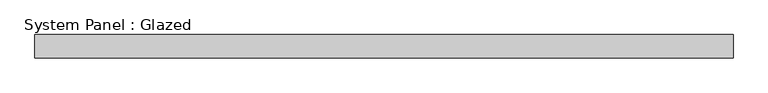
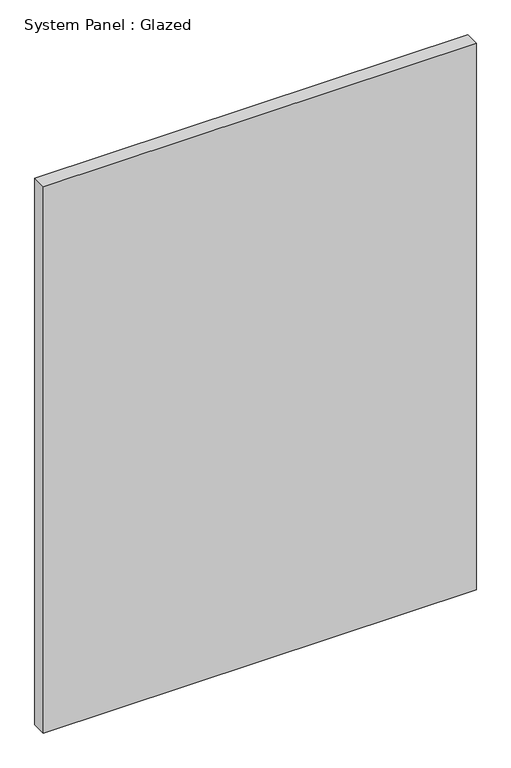
"""IFC4 building model written with IfcOpenShell, lengths in millimetres: plate geometry, System Panel : Glazed."""

import ifcopenshell
import ifcopenshell.guid

model = None  # the IFC model being written
_history = None  # IfcOwnerHistory: only IFC2X3 demands one
_inside = {}  # id of a spatial element -> (the spatial element, [elements in it])
_under = {}  # id of a project, library or spatial element -> (it, [spatial elements below it])
_declared = {}  # id of a project -> (the project, [libraries it declares])
_typed = {}  # id of a type object -> (the type object, [elements of that type])
_made_of = {}  # id of a material, layer set ... -> (it, [elements and type objects made of it])


def new_model(schema):
    """Start an empty IFC model of exactly this schema.

    Asked for "IFC4X3", IfcOpenShell would pick the latest addendum, in which some entities
    have other attributes; the version numbers below select the first issue.
    IFC2X3 requires an IfcOwnerHistory on every rooted entity: one is made here for all.
    """
    global model, _history
    if schema == "IFC4X3":
        model = ifcopenshell.file(schema_version=(4, 3, 0, 0))
    else:
        model = ifcopenshell.file(schema=schema)
    _inside.clear()
    _under.clear()
    _declared.clear()
    _typed.clear()
    _made_of.clear()
    _history = None
    if model.schema == "IFC2X3":
        org = make("IfcOrganization", Name="unknown")
        user = make(
            "IfcPersonAndOrganization",
            ThePerson=make("IfcPerson", FamilyName="unknown"),
            TheOrganization=org,
        )
        app = make(
            "IfcApplication",
            ApplicationDeveloper=org,
            Version="unknown",
            ApplicationFullName="unknown",
            ApplicationIdentifier="unknown",
        )
        _history = make(
            "IfcOwnerHistory",
            OwningUser=user,
            OwningApplication=app,
            ChangeAction="ADDED",
            CreationDate=0,
        )
    return model


def make(cls, **values):
    """One entity of the class cls with the attributes given. An attribute that is None is left unset."""
    return model.create_entity(
        cls, **{name: value for name, value in values.items() if value is not None}
    )


def rooted(cls, **values):
    """An entity with a GlobalId (a new one), such as an element, a storey or a relation."""
    return make(cls, GlobalId=ifcopenshell.guid.new(), OwnerHistory=_history, **values)


def si_unit(unit_type, name, prefix=None):
    """IfcSIUnit, for example si_unit("LENGTHUNIT", "METRE", prefix="MILLI")."""
    return make("IfcSIUnit", UnitType=unit_type, Prefix=prefix, Name=name)


def assignment(units):
    """IfcUnitAssignment: the units of a project."""
    return None if units is None else make("IfcUnitAssignment", Units=units)


def point(xyz):
    """IfcCartesianPoint."""
    return None if xyz is None else make("IfcCartesianPoint", Coordinates=xyz)


def direction(xyz):
    """IfcDirection."""
    return None if xyz is None else make("IfcDirection", DirectionRatios=xyz)


def frame(location, z_axis=None, x_axis=None):
    """IfcAxis2Placement3D, a coordinate frame: its origin and axes. An axis left out is left unset."""
    return make(
        "IfcAxis2Placement3D",
        Location=point(location),
        Axis=direction(z_axis),
        RefDirection=direction(x_axis),
    )


def origin():
    """The frame at (0, 0, 0) with its axes left unset."""
    return frame((0.0, 0.0, 0.0))


def origin_with_axes():
    """The frame at (0, 0, 0) with the z axis (0, 0, 1) and the x axis (1, 0, 0) written out."""
    return frame((0.0, 0.0, 0.0), z_axis=(0.0, 0.0, 1.0), x_axis=(1.0, 0.0, 0.0))


def place(relative_to, where):
    """IfcLocalPlacement: puts the frame where relative to a parent placement (None: the world)."""
    return make(
        "IfcLocalPlacement", PlacementRelTo=relative_to, RelativePlacement=where
    )


def context(
    kind, dimensions, precision=None, world=None, true_north=None, identifier=None
):
    """IfcGeometricRepresentationContext, for example the 3D "Model" context."""
    return make(
        "IfcGeometricRepresentationContext",
        ContextIdentifier=identifier,
        ContextType=kind,
        CoordinateSpaceDimension=dimensions,
        Precision=precision,
        WorldCoordinateSystem=world,
        TrueNorth=true_north,
    )


def project(units=None, contexts=None):
    """IfcProject with its units and contexts."""
    return rooted(
        "IfcProject",
        Name="project",
        RepresentationContexts=contexts,
        UnitsInContext=assignment(units),
    )


def spatial(cls, under=None, at=None, **own):
    """A site, building, storey or space (cls), placed at a placement, below another one or the project."""
    s = rooted(cls, ObjectPlacement=at, **own)
    if under is not None:
        _under.setdefault(under.id(), (under, []))[1].append(s)
    return s


def polyline(points):
    """IfcPolyline through the points."""
    return make("IfcPolyline", Points=[point(p) for p in points])


def outline(outer, holes=None, kind="AREA"):
    """IfcArbitraryClosedProfileDef: a profile drawn as a closed curve; with holes, ...WithVoids."""
    if holes is None:
        return make("IfcArbitraryClosedProfileDef", ProfileType=kind, OuterCurve=outer)
    return make(
        "IfcArbitraryProfileDefWithVoids",
        ProfileType=kind,
        OuterCurve=outer,
        InnerCurves=holes,
    )


def extrude(swept, where, along, depth):
    """IfcExtrudedAreaSolid: the profile swept, set in the frame where, extruded along a direction by depth."""
    return make(
        "IfcExtrudedAreaSolid",
        SweptArea=swept,
        Position=where,
        ExtrudedDirection=direction(along),
        Depth=depth,
    )


def shape(context_of_items, identifier, shape_type, items):
    """IfcShapeRepresentation: the items that make up one representation, for example the "Body"."""
    return make(
        "IfcShapeRepresentation",
        ContextOfItems=context_of_items,
        RepresentationIdentifier=identifier,
        RepresentationType=shape_type,
        Items=items,
    )


def source(mapping_origin, context_of_items, identifier, shape_type, items):
    """IfcRepresentationMap: a shape defined once, which mapped items show again and again."""
    return make(
        "IfcRepresentationMap",
        MappingOrigin=mapping_origin,
        MappedRepresentation=shape(context_of_items, identifier, shape_type, items),
    )


def transform(
    local_origin,
    x_axis=None,
    y_axis=None,
    z_axis=None,
    scale=None,
    scale2=None,
    scale3=None,
    uniform=True,
):
    """IfcCartesianTransformationOperator3D, or its non-uniform kind. x_axis, y_axis, z_axis: its Axis1, 2, 3."""
    if uniform:
        return make(
            "IfcCartesianTransformationOperator3D",
            Axis1=direction(x_axis),
            Axis2=direction(y_axis),
            LocalOrigin=point(local_origin),
            Scale=scale,
            Axis3=direction(z_axis),
        )
    return make(
        "IfcCartesianTransformationOperator3DnonUniform",
        Axis1=direction(x_axis),
        Axis2=direction(y_axis),
        LocalOrigin=point(local_origin),
        Scale=scale,
        Axis3=direction(z_axis),
        Scale2=scale2,
        Scale3=scale3,
    )


def mapped(mapping_source, mapping_target):
    """IfcMappedItem: shows the shape of a source again, moved by a transform."""
    return make(
        "IfcMappedItem", MappingSource=mapping_source, MappingTarget=mapping_target
    )


def made_of(thing, what):
    """Note that an element or type object is made of a material, layer set ...; save() writes the relation."""
    if what is not None:
        _made_of.setdefault(what.id(), (what, []))[1].append(thing)
    return thing


def element(
    cls,
    number,
    at=None,
    inside=None,
    cuts=None,
    type_object=None,
    material=None,
    context=None,
    identifier="Body",
    shape_type=None,
    held_by="IfcProductDefinitionShape",
    body=None,
    shapes=None,
    **own,
):
    """One element of the class cls, such as IfcWall. Its Tag is "e" and its number.

    at: its placement. inside: the storey or other place that contains it. cuts: it is an
    opening in that element (IfcRelVoidsElement). A single representation is given by context,
    identifier, shape_type and body (its items); several are given by shapes. held_by: the class
    of the entity that holds the representations. save() writes the other relations.
    """
    e = rooted(cls, Tag="e%d" % number, ObjectPlacement=at, **own)
    if body is not None:
        shapes = [shape(context, identifier, shape_type, body)]
    if shapes is not None:
        e.Representation = make(held_by, Representations=shapes)
    if inside is not None:
        _inside.setdefault(inside.id(), (inside, []))[1].append(e)
    if cuts is not None:
        rooted(
            "IfcRelVoidsElement", RelatingBuildingElement=cuts, RelatedOpeningElement=e
        )
    if type_object is not None:
        _typed.setdefault(type_object.id(), (type_object, []))[1].append(e)
    return made_of(e, material)


def aggregate(whole, parts):
    """IfcRelAggregates: a whole, such as a stair, and the parts it consists of."""
    return rooted("IfcRelAggregates", RelatingObject=whole, RelatedObjects=parts)


def save(model, path):
    """Write the relations noted so far, then the file.

    IfcRelAggregates (storeys below a building ...), IfcRelContainedInSpatialStructure (elements
    in a storey), IfcRelDefinesByType, IfcRelAssociatesMaterial and IfcRelDeclares: one each for
    every whole, place, type object, material and project.
    """
    for whole, parts in _under.values():
        aggregate(whole, parts)
    for where, things in _inside.values():
        rooted(
            "IfcRelContainedInSpatialStructure",
            RelatedElements=things,
            RelatingStructure=where,
        )
    for kind, things in _typed.values():
        rooted("IfcRelDefinesByType", RelatedObjects=things, RelatingType=kind)
    for what, things in _made_of.values():
        rooted("IfcRelAssociatesMaterial", RelatedObjects=things, RelatingMaterial=what)
    for by, libraries in _declared.values():
        rooted("IfcRelDeclares", RelatingContext=by, RelatedDefinitions=libraries)
    model.write(path)


def system_panel_glazed_9d3c7ecc(model_context):
    return source(origin(), model_context, "Body", "SweptSolid", [
        extrude(outline(polyline([(1500.0, 50.0), (-1500.0, 50.0), (-1500.0, 150.0), (1500.0, 150.0), (1500.0, 50.0)])), origin_with_axes(), (0.0, 0.0, 1.0), 4000.0),
    ])


if __name__ == "__main__":
    model = new_model("IFC4")
    model_context = context("Model", 3, world=origin())
    ifc_project = project(units=[si_unit("LENGTHUNIT", "METRE", prefix="MILLI")], contexts=[model_context])
    site = spatial("IfcSite", under=ifc_project)
    building = spatial("IfcBuilding", under=site)
    placement = place(None, origin())
    system_panel_glazed_shape = system_panel_glazed_9d3c7ecc(model_context)
    element("IfcPlate", 1, ObjectType="System Panel : Glazed", at=placement, inside=building, context=model_context, shape_type="MappedRepresentation", body=[
        mapped(system_panel_glazed_shape, transform((0.0, 0.0, 0.0), x_axis=(1.0, 0.0, 0.0), y_axis=(0.0, 1.0, 0.0), z_axis=(0.0, 0.0, 1.0))),
    ])
    save(model, "model.ifc")
